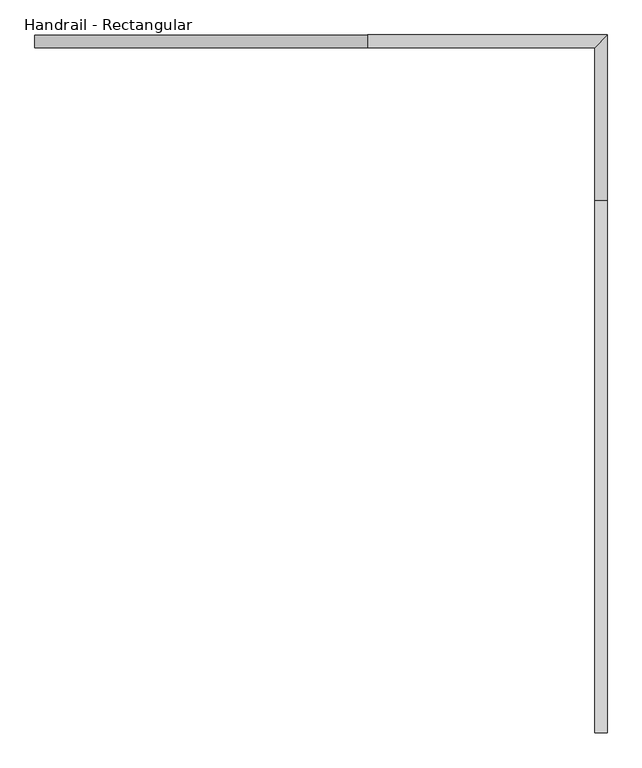
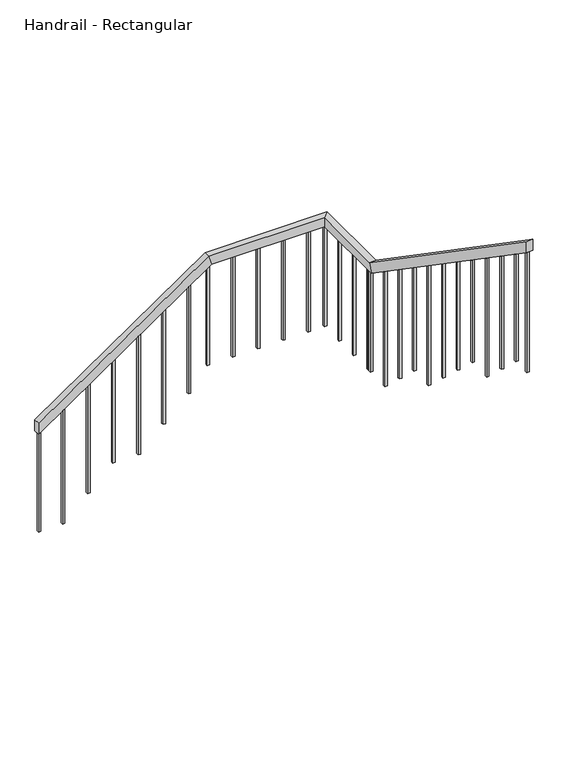
"""IFC4 building model written with IfcOpenShell, lengths in millimetres: railing geometry, Handrail - Rectangular."""

from ifc_helpers import new_model, si_unit, frame, origin, place, context, project, spatial, polyline, outline, extrude, faceted_brep, source, transform, mapped, element, save


def handrail_rectangular_97ecf400(model_context):
    return source(origin(), model_context, "Body", "SolidModel", [
        faceted_brep([(1316.6034014, 4477.2058469, -1349.8857143), (1316.6034014, 4477.2058469, -1442.3710156), (1316.6034014, 4426.4058469, -1442.3710156), (1316.6034014, 4426.4058469, -1349.8857143), (2666.6034014, 4477.2058469, -421.3142857), (2690.279724, 4477.2058469, -497.5142857), (2690.279724, 4426.4058469, -497.5142857), (2666.6034014, 4426.4058469, -421.3142857), (3638.3534014, 4477.2058469, -421.3142857), (3638.3534014, 4477.2058469, -497.5142857), (3587.5534014, 4426.4058469, -497.5142857), (3587.5534014, 4426.4058469, -421.3142857), (3638.3534014, 3807.2058469, -421.3142857), (3638.3534014, 3783.5295242, -497.5142857), (3587.5534014, 3783.5295242, -497.5142857), (3587.5534014, 3807.2058469, -421.3142857), (3638.3534014, 1647.2058469, 1064.4), (3587.5534014, 1647.2058469, 1064.4), (3587.5534014, 1647.2058469, 971.9146987), (3638.3534014, 1647.2058469, 971.9146987)], [[[0, 1, 2, 3]], [[1, 0, 4, 5]], [[2, 1, 5, 6]], [[3, 2, 6, 7]], [[0, 3, 7, 4]], [[5, 4, 8, 9]], [[6, 5, 9, 10]], [[7, 6, 10, 11]], [[4, 7, 11, 8]], [[9, 8, 12, 13]], [[10, 9, 13, 14]], [[11, 10, 14, 15]], [[8, 11, 15, 12]], [[16, 17, 18, 19]], [[13, 12, 16, 19]], [[14, 13, 19, 18]], [[15, 14, 18, 17]], [[12, 15, 17, 16]]]),
        extrude(outline(polyline([(1816.7308469, 855.3102014), (1816.7308469, -35.7142857), (1797.6808469, -35.7142857), (1797.6808469, 868.413376), (1816.7308469, 855.3102014)])), frame((3588.8284014, 0.0, 0.0), z_axis=(1.0, 0.0, 0.0), x_axis=(0.0, 1.0, 0.0)), (0.0, 0.0, 1.0), 19.05),
        extrude(outline(polyline([(2016.7308469, 717.7440638), (2016.7308469, -221.4285714), (1997.6808469, -221.4285714), (1997.6808469, 730.8472384), (2016.7308469, 717.7440638)])), frame((3588.8284014, 0.0, 0.0), z_axis=(1.0, 0.0, 0.0), x_axis=(0.0, 1.0, 0.0)), (0.0, 0.0, 1.0), 19.05),
        extrude(outline(polyline([(2216.7308469, 580.1779262), (2216.7308469, -407.1428571), (2197.6808469, -407.1428571), (2197.6808469, 593.2811008), (2216.7308469, 580.1779262)])), frame((3588.8284014, 0.0, 0.0), z_axis=(1.0, 0.0, 0.0), x_axis=(0.0, 1.0, 0.0)), (0.0, 0.0, 1.0), 19.05),
        extrude(outline(polyline([(2416.7308469, 442.6117887), (2416.7308469, -407.1428571), (2397.6808469, -407.1428571), (2397.6808469, 455.7149633), (2416.7308469, 442.6117887)])), frame((3588.8284014, 0.0, 0.0), z_axis=(1.0, 0.0, 0.0), x_axis=(0.0, 1.0, 0.0)), (0.0, 0.0, 1.0), 19.05),
        extrude(outline(polyline([(2616.7308469, 305.0456511), (2616.7308469, -592.8571429), (2597.6808469, -592.8571429), (2597.6808469, 318.1488257), (2616.7308469, 305.0456511)])), frame((3588.8284014, 0.0, 0.0), z_axis=(1.0, 0.0, 0.0), x_axis=(0.0, 1.0, 0.0)), (0.0, 0.0, 1.0), 19.05),
        extrude(outline(polyline([(2816.7308469, 167.4795135), (2816.7308469, -778.5714286), (2797.6808469, -778.5714286), (2797.6808469, 180.5826881), (2816.7308469, 167.4795135)])), frame((3588.8284014, 0.0, 0.0), z_axis=(1.0, 0.0, 0.0), x_axis=(0.0, 1.0, 0.0)), (0.0, 0.0, 1.0), 19.05),
        extrude(outline(polyline([(3016.7308469, 29.913376), (3016.7308469, -964.2857143), (2997.6808469, -964.2857143), (2997.6808469, 43.0165506), (3016.7308469, 29.913376)])), frame((3588.8284014, 0.0, 0.0), z_axis=(1.0, 0.0, 0.0), x_axis=(0.0, 1.0, 0.0)), (0.0, 0.0, 1.0), 19.05),
        extrude(outline(polyline([(3216.7308469, -107.6527616), (3216.7308469, -964.2857143), (3197.6808469, -964.2857143), (3197.6808469, -94.549587), (3216.7308469, -107.6527616)])), frame((3588.8284014, 0.0, 0.0), z_axis=(1.0, 0.0, 0.0), x_axis=(0.0, 1.0, 0.0)), (0.0, 0.0, 1.0), 19.05),
        extrude(outline(polyline([(3416.7308469, -245.2188992), (3416.7308469, -1150.0), (3397.6808469, -1150.0), (3397.6808469, -232.1157246), (3416.7308469, -245.2188992)])), frame((3588.8284014, 0.0, 0.0), z_axis=(1.0, 0.0, 0.0), x_axis=(0.0, 1.0, 0.0)), (0.0, 0.0, 1.0), 19.05),
        extrude(outline(polyline([(3616.7308469, -382.7850367), (3616.7308469, -1335.7142857), (3597.6808469, -1335.7142857), (3597.6808469, -369.6818621), (3616.7308469, -382.7850367)])), frame((3588.8284014, 0.0, 0.0), z_axis=(1.0, 0.0, 0.0), x_axis=(0.0, 1.0, 0.0)), (0.0, 0.0, 1.0), 19.05),
        extrude(outline(polyline([(3607.8784014, 3846.7308469), (3607.8784014, 3827.6808469), (3588.8284014, 3827.6808469), (3588.8284014, 3846.7308469), (3607.8784014, 3846.7308469)])), frame((0.0, 0.0, -1335.7142857), z_axis=(0.0, 0.0, 1.0), x_axis=(1.0, 0.0, 0.0)), (0.0, 0.0, 1.0), 838.2),
        extrude(outline(polyline([(3607.8784014, 4046.7308469), (3607.8784014, 4027.6808469), (3588.8284014, 4027.6808469), (3588.8284014, 4046.7308469), (3607.8784014, 4046.7308469)])), frame((0.0, 0.0, -1335.7142857), z_axis=(0.0, 0.0, 1.0), x_axis=(1.0, 0.0, 0.0)), (0.0, 0.0, 1.0), 838.2),
        extrude(outline(polyline([(3607.8784014, 4246.7308469), (3607.8784014, 4227.6808469), (3588.8284014, 4227.6808469), (3588.8284014, 4246.7308469), (3607.8784014, 4246.7308469)])), frame((0.0, 0.0, -1335.7142857), z_axis=(0.0, 0.0, 1.0), x_axis=(1.0, 0.0, 0.0)), (0.0, 0.0, 1.0), 838.2),
        extrude(outline(polyline([(3457.0784014, 4446.7308469), (3476.1284014, 4446.7308469), (3476.1284014, 4427.6808469), (3457.0784014, 4427.6808469), (3457.0784014, 4446.7308469)])), frame((0.0, 0.0, -1335.7142857), z_axis=(0.0, 0.0, 1.0), x_axis=(1.0, 0.0, 0.0)), (0.0, 0.0, 1.0), 838.2),
        extrude(outline(polyline([(3257.0784014, 4446.7308469), (3276.1284014, 4446.7308469), (3276.1284014, 4427.6808469), (3257.0784014, 4427.6808469), (3257.0784014, 4446.7308469)])), frame((0.0, 0.0, -1335.7142857), z_axis=(0.0, 0.0, 1.0), x_axis=(1.0, 0.0, 0.0)), (0.0, 0.0, 1.0), 838.2),
        extrude(outline(polyline([(3057.0784014, 4446.7308469), (3076.1284014, 4446.7308469), (3076.1284014, 4427.6808469), (3057.0784014, 4427.6808469), (3057.0784014, 4446.7308469)])), frame((0.0, 0.0, -1335.7142857), z_axis=(0.0, 0.0, 1.0), x_axis=(1.0, 0.0, 0.0)), (0.0, 0.0, 1.0), 838.2),
        extrude(outline(polyline([(2857.0784014, 4446.7308469), (2876.1284014, 4446.7308469), (2876.1284014, 4427.6808469), (2857.0784014, 4427.6808469), (2857.0784014, 4446.7308469)])), frame((0.0, 0.0, -1335.7142857), z_axis=(0.0, 0.0, 1.0), x_axis=(1.0, 0.0, 0.0)), (0.0, 0.0, 1.0), 838.2),
        extrude(outline(polyline([(-623.5257775, 2507.0784014), (-1521.4285714, 2507.0784014), (-1521.4285714, 2526.1284014), (-610.4226029, 2526.1284014), (-623.5257775, 2507.0784014)])), frame((0.0, 4427.6808469, 0.0), z_axis=(0.0, 1.0, 0.0), x_axis=(0.0, 0.0, 1.0)), (0.0, 0.0, 1.0), 19.05),
        extrude(outline(polyline([(-761.091915, 2307.0784014), (-1707.1428571, 2307.0784014), (-1707.1428571, 2326.1284014), (-747.9887404, 2326.1284014), (-761.091915, 2307.0784014)])), frame((0.0, 4427.6808469, 0.0), z_axis=(0.0, 1.0, 0.0), x_axis=(0.0, 0.0, 1.0)), (0.0, 0.0, 1.0), 19.05),
        extrude(outline(polyline([(-898.6580526, 2107.0784014), (-1892.8571429, 2107.0784014), (-1892.8571429, 2126.1284014), (-885.554878, 2126.1284014), (-898.6580526, 2107.0784014)])), frame((0.0, 4427.6808469, 0.0), z_axis=(0.0, 1.0, 0.0), x_axis=(0.0, 0.0, 1.0)), (0.0, 0.0, 1.0), 19.05),
        extrude(outline(polyline([(-1036.2241902, 1907.0784014), (-1892.8571429, 1907.0784014), (-1892.8571429, 1926.1284014), (-1023.1210156, 1926.1284014), (-1036.2241902, 1907.0784014)])), frame((0.0, 4427.6808469, 0.0), z_axis=(0.0, 1.0, 0.0), x_axis=(0.0, 0.0, 1.0)), (0.0, 0.0, 1.0), 19.05),
        extrude(outline(polyline([(-1173.7903277, 1707.0784014), (-2078.5714286, 1707.0784014), (-2078.5714286, 1726.1284014), (-1160.6871531, 1726.1284014), (-1173.7903277, 1707.0784014)])), frame((0.0, 4427.6808469, 0.0), z_axis=(0.0, 1.0, 0.0), x_axis=(0.0, 0.0, 1.0)), (0.0, 0.0, 1.0), 19.05),
        extrude(outline(polyline([(-1311.3564653, 1507.0784014), (-2264.2857143, 1507.0784014), (-2264.2857143, 1526.1284014), (-1298.2532907, 1526.1284014), (-1311.3564653, 1507.0784014)])), frame((0.0, 4427.6808469, 0.0), z_axis=(0.0, 1.0, 0.0), x_axis=(0.0, 0.0, 1.0)), (0.0, 0.0, 1.0), 19.05),
        extrude(outline(polyline([(3607.8784014, 3816.7308469), (3607.8784014, 3797.6808469), (3588.8284014, 3797.6808469), (3588.8284014, 3816.7308469), (3607.8784014, 3816.7308469)])), frame((0.0, 0.0, -1335.7142857), z_axis=(0.0, 0.0, 1.0), x_axis=(1.0, 0.0, 0.0)), (0.0, 0.0, 1.0), 838.2),
        extrude(outline(polyline([(3588.8284014, 4446.7308469), (3607.8784014, 4446.7308469), (3607.8784014, 4427.6808469), (3588.8284014, 4427.6808469), (3588.8284014, 4446.7308469)])), frame((0.0, 0.0, -1335.7142857), z_axis=(0.0, 0.0, 1.0), x_axis=(1.0, 0.0, 0.0)), (0.0, 0.0, 1.0), 838.2),
        extrude(outline(polyline([(-520.3511743, 2657.0784014), (-1335.7142857, 2657.0784014), (-1335.7142857, 2676.1284014), (-507.2479997, 2676.1284014), (-520.3511743, 2657.0784014)])), frame((0.0, 4427.6808469, 0.0), z_axis=(0.0, 1.0, 0.0), x_axis=(0.0, 0.0, 1.0)), (0.0, 0.0, 1.0), 19.05),
        extrude(outline(polyline([(1666.2308469, 958.8115241), (1666.2308469, -35.7142857), (1647.1808469, -35.7142857), (1647.1808469, 971.9146987), (1666.2308469, 958.8115241)])), frame((3588.8284014, 0.0, 0.0), z_axis=(1.0, 0.0, 0.0), x_axis=(0.0, 1.0, 0.0)), (0.0, 0.0, 1.0), 19.05),
        extrude(outline(polyline([(-1442.3710156, 1316.5784014), (-2264.2857143, 1316.5784014), (-2264.2857143, 1335.6284014), (-1429.267841, 1335.6284014), (-1442.3710156, 1316.5784014)])), frame((0.0, 4427.6808469, 0.0), z_axis=(0.0, 1.0, 0.0), x_axis=(0.0, 0.0, 1.0)), (0.0, 0.0, 1.0), 19.05),
    ])


if __name__ == "__main__":
    model = new_model("IFC4")
    model_context = context("Model", 3, world=origin())
    ifc_project = project(units=[si_unit("LENGTHUNIT", "METRE", prefix="MILLI")], contexts=[model_context])
    site = spatial("IfcSite", under=ifc_project)
    building = spatial("IfcBuilding", under=site)
    placement = place(None, origin())
    handrail_rectangular_shape = handrail_rectangular_97ecf400(model_context)
    element("IfcRailing", 1, ObjectType="Handrail - Rectangular", at=placement, inside=building, context=model_context, shape_type="MappedRepresentation", body=[
        mapped(handrail_rectangular_shape, transform((0.0, 0.0, 0.0), x_axis=(1.0, 0.0, 0.0), y_axis=(0.0, 1.0, 0.0), z_axis=(0.0, 0.0, 1.0))),
    ])
    save(model, "model.ifc")
